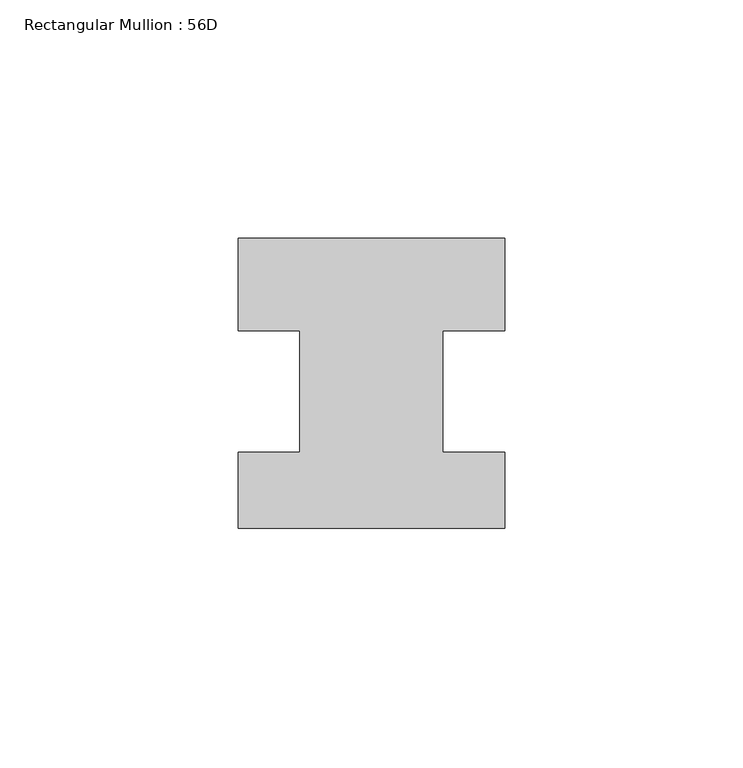
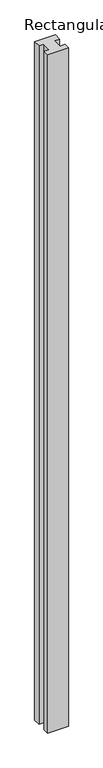
"""IFC4 building model written with IfcOpenShell, lengths in millimetres: member geometry, Rectangular Mullion : 56D."""

from ifc_helpers import new_model, si_unit, frame, origin, place, context, project, spatial, polyline, outline, extrude, source, transform, mapped, element, save


def rectangular_mullion_56d_de079500(model_context):
    return source(origin(), model_context, "Body", "SweptSolid", [
        extrude(outline(polyline([(28.0, 20.0), (28.0, 0.5), (15.0, 0.5), (15.0, -25.0), (28.0, -25.0), (28.0, -41.0), (-28.0, -41.0), (-28.0, -25.0), (-15.0, -25.0), (-15.0, 0.5), (-28.0, 0.5), (-28.0, 20.0), (28.0, 20.0)])), frame((0.0, 0.0, -1947.0), z_axis=(0.0, 0.0, 1.0), x_axis=(1.0, 0.0, 0.0)), (0.0, 0.0, 1.0), 1947.0),
    ])


if __name__ == "__main__":
    model = new_model("IFC4")
    model_context = context("Model", 3, world=origin())
    ifc_project = project(units=[si_unit("LENGTHUNIT", "METRE", prefix="MILLI")], contexts=[model_context])
    site = spatial("IfcSite", under=ifc_project)
    building = spatial("IfcBuilding", under=site)
    placement = place(None, origin())
    rectangular_mullion_56d_shape = rectangular_mullion_56d_de079500(model_context)
    element("IfcMember", 1, ObjectType="Rectangular Mullion : 56D", at=placement, inside=building, context=model_context, shape_type="MappedRepresentation", body=[
        mapped(rectangular_mullion_56d_shape, transform((0.0, 0.0, 0.0), x_axis=(1.0, 0.0, 0.0), y_axis=(0.0, 1.0, 0.0), z_axis=(0.0, 0.0, 1.0))),
    ])
    save(model, "model.ifc")
